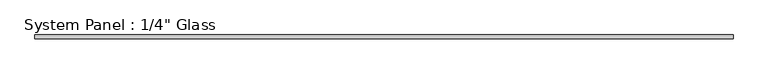
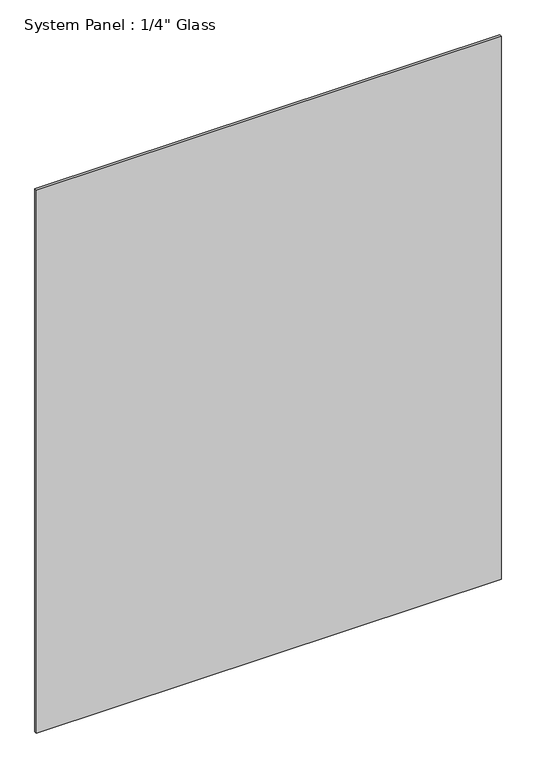
"""IFC4 building model written with IfcOpenShell, lengths in millimetres: plate geometry."""

from ifc_helpers import new_model, si_unit, origin, origin_with_axes, place, context, project, spatial, polyline, outline, extrude, source, transform, mapped, element, save


def plate_0c664f5e(model_context):
    return source(origin(), model_context, "Body", "SweptSolid", [
        extrude(outline(polyline([(598.4875, -3.175), (-598.4875, -3.175), (-598.4875, 3.175), (598.4875, 3.175), (598.4875, -3.175)])), origin_with_axes(), (0.0, 0.0, 1.0), 1478.3941382),
    ])


if __name__ == "__main__":
    model = new_model("IFC4")
    model_context = context("Model", 3, world=origin())
    ifc_project = project(units=[si_unit("LENGTHUNIT", "METRE", prefix="MILLI")], contexts=[model_context])
    site = spatial("IfcSite", under=ifc_project)
    building = spatial("IfcBuilding", under=site)
    placement = place(None, origin())
    plate_shape = plate_0c664f5e(model_context)
    element("IfcPlate", 1, ObjectType="System Panel : 1/4\" Glass", at=placement, inside=building, context=model_context, shape_type="MappedRepresentation", body=[
        mapped(plate_shape, transform((0.0, 0.0, 0.0), x_axis=(1.0, 0.0, 0.0), y_axis=(0.0, 1.0, 0.0), z_axis=(0.0, 0.0, 1.0))),
    ])
    save(model, "model.ifc")
